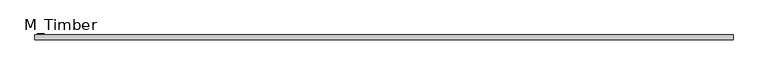
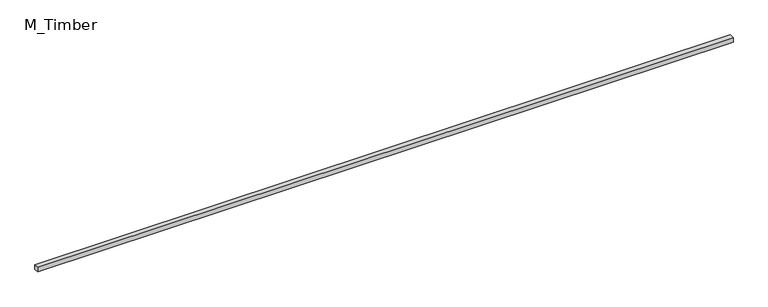
"""IFC4 building model written with IfcOpenShell, lengths in millimetres: beam geometry, M_Timber."""

from ifc_helpers import new_model, si_unit, frame, origin, place, context, project, spatial, polyline, outline, extrude, source, transform, mapped, element, save


def m_timber_c2791607(model_context):
    return source(origin(), model_context, "Body", "SweptSolid", [
        extrude(outline(polyline([(2931.9710778, 20.0), (2931.9710778, -20.0), (-2931.9710778, -20.0), (-2931.9710778, 20.0), (2931.9710778, 20.0)])), frame((0.0, 0.0, -20.0), z_axis=(0.0, 0.0, 1.0), x_axis=(1.0, 0.0, 0.0)), (0.0, 0.0, 1.0), 40.0),
    ])


if __name__ == "__main__":
    model = new_model("IFC4")
    model_context = context("Model", 3, world=origin())
    ifc_project = project(units=[si_unit("LENGTHUNIT", "METRE", prefix="MILLI")], contexts=[model_context])
    site = spatial("IfcSite", under=ifc_project)
    building = spatial("IfcBuilding", under=site)
    placement = place(None, origin())
    m_timber_shape = m_timber_c2791607(model_context)
    element("IfcBeam", 1, ObjectType="M_Timber", at=placement, inside=building, context=model_context, shape_type="MappedRepresentation", body=[
        mapped(m_timber_shape, transform((0.0, 0.0, 0.0), x_axis=(1.0, 0.0, 0.0), y_axis=(0.0, 1.0, 0.0), z_axis=(0.0, 0.0, 1.0))),
    ])
    save(model, "model.ifc")
